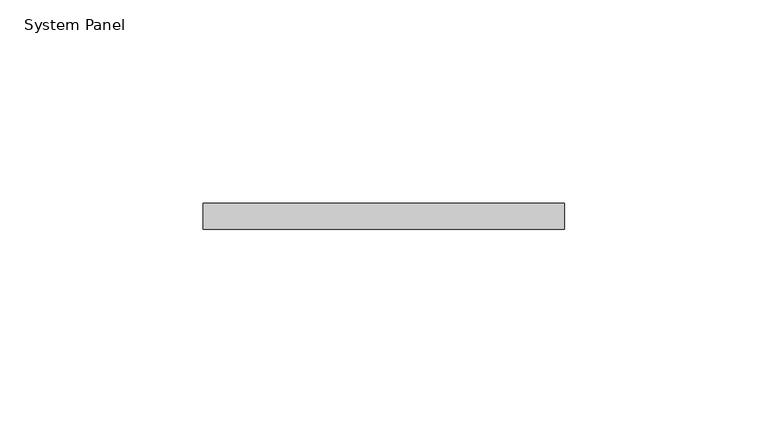
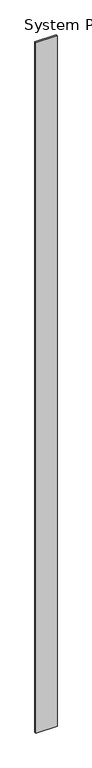
"""IFC4 building model written with IfcOpenShell, lengths in millimetres: plate geometry, System Panel."""

from ifc_helpers import new_model, si_unit, origin, origin_with_axes, place, context, project, spatial, polyline, outline, extrude, source, transform, mapped, element, save


def system_panel_c77e7873(model_context):
    return source(origin(), model_context, "Body", "SweptSolid", [
        extrude(outline(polyline([(44.45, -6.35), (-44.45, -6.35), (-44.45, 0.0), (44.45, 0.0), (44.45, -6.35)])), origin_with_axes(), (0.0, 0.0, 1.0), 3048.0),
    ])


if __name__ == "__main__":
    model = new_model("IFC4")
    model_context = context("Model", 3, world=origin())
    ifc_project = project(units=[si_unit("LENGTHUNIT", "METRE", prefix="MILLI")], contexts=[model_context])
    site = spatial("IfcSite", under=ifc_project)
    building = spatial("IfcBuilding", under=site)
    placement = place(None, origin())
    system_panel_shape = system_panel_c77e7873(model_context)
    element("IfcPlate", 1, ObjectType="System Panel", at=placement, inside=building, context=model_context, shape_type="MappedRepresentation", body=[
        mapped(system_panel_shape, transform((0.0, 0.0, 0.0), x_axis=(1.0, 0.0, 0.0), y_axis=(0.0, 1.0, 0.0), z_axis=(0.0, 0.0, 1.0))),
    ])
    save(model, "model.ifc")
